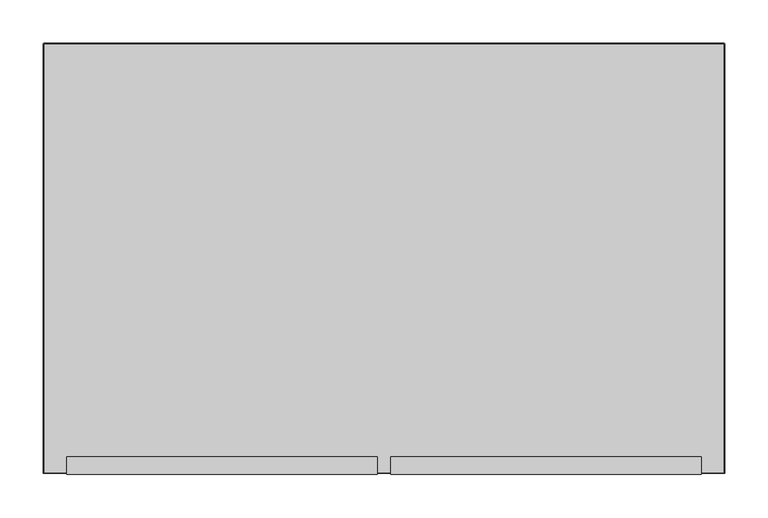
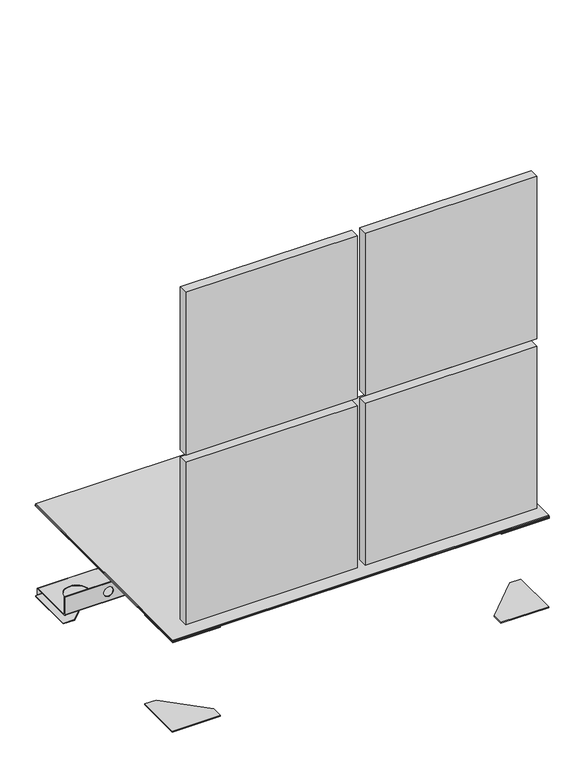
"""IFC4 building model written with IfcOpenShell, lengths in millimetres: proxy geometry."""

from ifc_helpers import new_model, si_unit, point, frame, frame_2d, origin, place, context, project, spatial, polyline, circle_curve, trimmed, segment, composite_curve, outline, extrude, source, transform, mapped, element, save
from ifc_brep_helpers import plane_surface, cylinder_surface, revolved_surface, advanced_brep


def parking_fafb48c0(model_context):
    return source(origin(), model_context, "Body", "SolidModel", [
        advanced_brep(
        [(391.4161053, 243.0, 30.5), (391.4161053, 147.0, 30.5), (391.4161053, 146.0, 31.5), (391.4161053, 146.0, 70.5), (391.4161053, 145.0, 70.5), (391.4161053, 145.0, 31.5), (391.4161053, 147.0, 29.5), (391.4161053, 243.0, 29.5), (391.4161053, 244.0, 28.5), (391.4161053, 244.0, 15.5), (391.4161053, 245.0, 15.5), (391.4161053, 245.0, 28.5), (-391.5838947, 243.0, 30.5), (-391.5838947, 245.0, 28.5), (-391.5838947, 245.0, 15.5), (-391.5838947, 244.0, 15.5), (-391.5838947, 244.0, 28.5), (-391.5838947, 243.0, 29.5), (-391.5838947, 147.0, 29.5), (-391.5838947, 145.0, 31.5), (-391.5838947, 145.0, 70.5), (-391.5838947, 146.0, 70.5), (-391.5838947, 146.0, 31.5), (-391.5838947, 147.0, 30.5), (-312.5648328, 194.9581686, 30.5), (-362.5648328, 194.9581686, 30.5), (312.5648328, 194.9581686, 30.5), (362.5648328, 194.9581686, 30.5), (-10.0, 146.0, 50.5), (10.0, 146.0, 50.5), (-310.0, 146.0, 50.5), (-290.0, 146.0, 50.5), (310.0, 146.0, 50.5), (290.0, 146.0, 50.5), (10.0, 145.0, 50.5), (-10.0, 145.0, 50.5), (-290.0, 145.0, 50.5), (-310.0, 145.0, 50.5), (290.0, 145.0, 50.5), (310.0, 145.0, 50.5), (-362.5648328, 194.9581686, 29.5), (-312.5648328, 194.9581686, 29.5), (362.5648328, 194.9581686, 29.5), (312.5648328, 194.9581686, 29.5)],
        [
            (0, 1),
            (1, 2, circle_curve(frame((391.4161053, 147.0, 31.5), z_axis=(-1.0, 0.0, 0.0), x_axis=(0.0, -1.0, 0.0)), 1.0)),
            (2, 3),
            (3, 4),
            (4, 5),
            (5, 6, circle_curve(frame((391.4161053, 147.0, 31.5), z_axis=(1.0, 0.0, 0.0), x_axis=(0.0, -1.0, 0.0)), 2.0)),
            (6, 7),
            (7, 8, circle_curve(frame((391.4161053, 243.0, 28.5), z_axis=(-1.0, 0.0, 0.0), x_axis=(0.0, -1.0, 0.0)), 1.0)),
            (8, 9),
            (9, 10),
            (10, 11),
            (11, 0, circle_curve(frame((391.4161053, 243.0, 28.5), z_axis=(1.0, 0.0, 0.0), x_axis=(0.0, -1.0, 0.0)), 2.0)),
            (12, 13, circle_curve(frame((-391.5838947, 243.0, 28.5), z_axis=(-1.0, 0.0, 0.0), x_axis=(0.0, -1.0, 0.0)), 2.0)),
            (13, 14),
            (14, 15),
            (15, 16),
            (16, 17, circle_curve(frame((-391.5838947, 243.0, 28.5), z_axis=(1.0, 0.0, 0.0), x_axis=(0.0, -1.0, 0.0)), 1.0)),
            (17, 18),
            (18, 19, circle_curve(frame((-391.5838947, 147.0, 31.5), z_axis=(-1.0, 0.0, 0.0), x_axis=(0.0, -1.0, 0.0)), 2.0)),
            (19, 20),
            (20, 21),
            (21, 22),
            (22, 23, circle_curve(frame((-391.5838947, 147.0, 31.5), z_axis=(1.0, 0.0, 0.0), x_axis=(0.0, -1.0, 0.0)), 1.0)),
            (23, 12),
            (0, 12),
            (23, 1),
            (24, 25, circle_curve(frame((-337.5648328, 194.9581686, 30.5), z_axis=(0.0, 0.0, -1.0), x_axis=(1.0, 0.0, 0.0)), 25.0)),
            (25, 24, circle_curve(frame((-337.5648328, 194.9581686, 30.5), z_axis=(0.0, 0.0, -1.0), x_axis=(1.0, 0.0, 0.0)), 25.0)),
            (26, 27, circle_curve(frame((337.5648328, 194.9581686, 30.5), z_axis=(0.0, 0.0, -1.0), x_axis=(-1.0, 0.0, 0.0)), 25.0)),
            (27, 26, circle_curve(frame((337.5648328, 194.9581686, 30.5), z_axis=(0.0, 0.0, -1.0), x_axis=(-1.0, 0.0, 0.0)), 25.0)),
            (22, 2),
            (21, 3),
            (28, 29, circle_curve(frame((0.0, 146.0, 50.5), z_axis=(0.0, -1.0, 0.0), x_axis=(1.0, 0.0, 0.0)), 10.0)),
            (29, 28, circle_curve(frame((0.0, 146.0, 50.5), z_axis=(0.0, -1.0, 0.0), x_axis=(1.0, 0.0, 0.0)), 10.0)),
            (30, 31, circle_curve(frame((-300.0, 146.0, 50.5), z_axis=(0.0, -1.0, 0.0), x_axis=(1.0, 0.0, 0.0)), 10.0)),
            (31, 30, circle_curve(frame((-300.0, 146.0, 50.5), z_axis=(0.0, -1.0, 0.0), x_axis=(1.0, 0.0, 0.0)), 10.0)),
            (32, 33, circle_curve(frame((300.0, 146.0, 50.5), z_axis=(0.0, -1.0, 0.0), x_axis=(-1.0, 0.0, 0.0)), 10.0)),
            (33, 32, circle_curve(frame((300.0, 146.0, 50.5), z_axis=(0.0, -1.0, 0.0), x_axis=(-1.0, 0.0, 0.0)), 10.0)),
            (20, 4),
            (19, 5),
            (34, 35, circle_curve(frame((0.0, 145.0, 50.5), z_axis=(0.0, 1.0, 0.0), x_axis=(1.0, 0.0, 0.0)), 10.0)),
            (35, 34, circle_curve(frame((0.0, 145.0, 50.5), z_axis=(0.0, 1.0, 0.0), x_axis=(1.0, 0.0, 0.0)), 10.0)),
            (36, 37, circle_curve(frame((-300.0, 145.0, 50.5), z_axis=(0.0, 1.0, 0.0), x_axis=(1.0, 0.0, 0.0)), 10.0)),
            (37, 36, circle_curve(frame((-300.0, 145.0, 50.5), z_axis=(0.0, 1.0, 0.0), x_axis=(1.0, 0.0, 0.0)), 10.0)),
            (38, 39, circle_curve(frame((300.0, 145.0, 50.5), z_axis=(0.0, 1.0, 0.0), x_axis=(-1.0, 0.0, 0.0)), 10.0)),
            (39, 38, circle_curve(frame((300.0, 145.0, 50.5), z_axis=(0.0, 1.0, 0.0), x_axis=(-1.0, 0.0, 0.0)), 10.0)),
            (18, 6),
            (17, 7),
            (40, 41, circle_curve(frame((-337.5648328, 194.9581686, 29.5), z_axis=(0.0, 0.0, 1.0), x_axis=(1.0, 0.0, 0.0)), 25.0)),
            (41, 40, circle_curve(frame((-337.5648328, 194.9581686, 29.5), z_axis=(0.0, 0.0, 1.0), x_axis=(1.0, 0.0, 0.0)), 25.0)),
            (42, 43, circle_curve(frame((337.5648328, 194.9581686, 29.5), z_axis=(0.0, 0.0, 1.0), x_axis=(-1.0, 0.0, 0.0)), 25.0)),
            (43, 42, circle_curve(frame((337.5648328, 194.9581686, 29.5), z_axis=(0.0, 0.0, 1.0), x_axis=(-1.0, 0.0, 0.0)), 25.0)),
            (16, 8),
            (15, 9),
            (14, 10),
            (13, 11),
            (28, 35),
            (34, 29),
            (30, 37),
            (36, 31),
            (32, 39),
            (38, 33),
            (40, 25),
            (24, 41),
            (42, 27),
            (26, 43),
        ],
        [
            plane_surface(frame((391.4161053, 147.0, 30.5), z_axis=(1.0, 0.0, 0.0), x_axis=(0.0, -1.0, 0.0))),
            plane_surface(frame((-391.5838947, 147.0, 30.5), z_axis=(-1.0, 0.0, 0.0), x_axis=(0.0, 1.0, 0.0))),
            plane_surface(frame((391.4161053, 243.0, 30.5), z_axis=(0.0, 0.0, 1.0), x_axis=(-1.0, 0.0, 0.0))),
            revolved_surface(polyline([(-391.5838947, 146.0, 31.5), (391.4161053, 146.0, 31.5)]), (-391.5838947, 147.0, 31.5), (-1.0, 0.0, 0.0)),
            plane_surface(frame((391.4161053, 146.0, 31.5), z_axis=(0.0, 1.0, 0.0), x_axis=(-1.0, 0.0, 0.0))),
            plane_surface(frame((391.4161053, 146.0, 70.5), z_axis=(0.0, 0.0, 1.0), x_axis=(-1.0, 0.0, 0.0))),
            plane_surface(frame((391.4161053, 145.0, 70.5), z_axis=(0.0, -1.0, 0.0), x_axis=(-1.0, 0.0, 0.0))),
            cylinder_surface(frame((-391.5838947, 147.0, 31.5), z_axis=(1.0, 0.0, 0.0), x_axis=(0.0, -1.0, 0.0)), 2.0),
            plane_surface(frame((391.4161053, 147.0, 29.5), z_axis=(0.0, 0.0, -1.0), x_axis=(-1.0, 0.0, 0.0))),
            revolved_surface(polyline([(-391.5838947, 242.0, 28.5), (391.4161053, 242.0, 28.5)]), (-391.5838947, 243.0, 28.5), (-1.0, 0.0, 0.0)),
            plane_surface(frame((391.4161053, 244.0, 28.5), z_axis=(0.0, -1.0, 0.0), x_axis=(-1.0, 0.0, 0.0))),
            plane_surface(frame((391.4161053, 244.0, 15.5), z_axis=(0.0, 0.0, -1.0), x_axis=(-1.0, 0.0, 0.0))),
            plane_surface(frame((391.4161053, 245.0, 15.5), z_axis=(0.0, 1.0, 0.0), x_axis=(-1.0, 0.0, 0.0))),
            cylinder_surface(frame((-391.5838947, 243.0, 28.5), z_axis=(1.0, 0.0, 0.0), x_axis=(0.0, -1.0, 0.0)), 2.0),
            revolved_surface(polyline([(10.0, 145.0, 50.5), (10.0, 146.0, 50.5)]), (0.0, 164.0282625, 50.5), (0.0, -1.0, 0.0)),
            revolved_surface(polyline([(-290.0, 145.0, 50.5), (-290.0, 146.0, 50.5)]), (-300.0, 0.0, 50.5), (0.0, -1.0, 0.0)),
            revolved_surface(polyline([(290.0, 145.0, 50.5), (290.0, 146.0, 50.5)]), (300.0, 0.0, 50.5), (0.0, -1.0, 0.0)),
            revolved_surface(polyline([(-312.5648328, 194.9581686, 30.5), (-312.5648328, 194.9581686, 29.5)]), (-337.5648328, 194.9581686, 14.5), (0.0, 0.0, 1.0)),
            revolved_surface(polyline([(312.5648328, 194.9581686, 30.5), (312.5648328, 194.9581686, 29.5)]), (337.5648328, 194.9581686, 0.0), (0.0, 0.0, 1.0)),
        ],
        [
            (0, [[1, 2, 3, 4, 5, 6, 7, 8, 9, 10, 11, 12]]),
            (1, [[13, 14, 15, 16, 17, 18, 19, 20, 21, 22, 23, 24]]),
            (2, [[-1, 25, -24, 26], [27, 28], [29, 30]]),
            (3, [[-2, -26, -23, 31]]),
            (4, [[-3, -31, -22, 32], [33, 34], [35, 36], [37, 38]]),
            (5, [[-4, -32, -21, 39]]),
            (6, [[-5, -39, -20, 40], [41, 42], [43, 44], [45, 46]]),
            (7, [[-6, -40, -19, 47]]),
            (8, [[-7, -47, -18, 48], [49, 50], [51, 52]]),
            (9, [[-8, -48, -17, 53]]),
            (10, [[-9, -53, -16, 54]]),
            (11, [[-10, -54, -15, 55]]),
            (12, [[-11, -55, -14, 56]]),
            (13, [[-12, -56, -13, -25]]),
            (14, [[57, -41, 58, -33]]),
            (14, [[-57, -34, -58, -42]]),
            (15, [[59, -43, 60, -35]]),
            (15, [[-59, -36, -60, -44]]),
            (16, [[61, -45, 62, -37]]),
            (16, [[-61, -38, -62, -46]]),
            (17, [[63, -27, 64, -49]]),
            (17, [[-63, -50, -64, -28]]),
            (18, [[65, -29, 66, -51]]),
            (18, [[-65, -52, -66, -30]]),
        ],
    ),
        extrude(outline(polyline([(-392.0104895, 248.0), (-293.0838947, 248.0), (-293.0838947, 223.2426407), (-369.3265353, 147.0), (-392.0104895, 147.0), (-392.0104895, 248.0)])), frame((0.0, 0.0, 208.0), z_axis=(0.0, 0.0, 1.0), x_axis=(1.0, 0.0, 0.0)), (0.0, 0.0, 1.0), 2.0),
        extrude(outline(polyline([(393.4161053, 248.0), (393.4161053, 147.0), (369.3265353, 147.0), (293.0838947, 223.2426407), (293.0838947, 248.0), (393.4161053, 248.0)])), frame((0.0, 0.0, 208.0), z_axis=(0.0, 0.0, 1.0), x_axis=(1.0, 0.0, 0.0)), (0.0, 0.0, 1.0), 2.0),
        extrude(outline(polyline([(-393.0838947, -248.0), (-393.0838947, -147.0), (-369.3265353, -147.0), (-293.0838947, -223.2426407), (-293.0838947, -248.0), (-393.0838947, -248.0)])), frame((0.0, 0.0, 208.0), z_axis=(0.0, 0.0, 1.0), x_axis=(1.0, 0.0, 0.0)), (0.0, 0.0, 1.0), 2.0),
        extrude(outline(polyline([(393.9161053, -248.0), (293.0838947, -248.0), (293.0838947, -223.2426407), (369.3265353, -147.0), (393.9161053, -147.0), (393.9161053, -248.0)])), frame((0.0, 0.0, 208.0), z_axis=(0.0, 0.0, 1.0), x_axis=(1.0, 0.0, 0.0)), (0.0, 0.0, 1.0), 2.0),
        extrude(outline(polyline([(-393.0838947, 247.0), (-293.0838947, 247.0), (-293.0838947, 223.2426407), (-369.3265353, 147.0), (-393.0838947, 147.0), (-393.0838947, 247.0)])), frame((0.0, 0.0, 10.5), z_axis=(0.0, 0.0, 1.0), x_axis=(1.0, 0.0, 0.0)), (0.0, 0.0, 1.0), 2.0),
        extrude(outline(polyline([(393.0838947, 247.0), (393.0838947, 147.0), (369.3265353, 147.0), (293.0838947, 223.2426407), (293.0838947, 247.0), (393.0838947, 247.0)])), frame((0.0, 0.0, 10.5), z_axis=(0.0, 0.0, 1.0), x_axis=(1.0, 0.0, 0.0)), (0.0, 0.0, 1.0), 2.0),
        extrude(outline(polyline([(-393.0838947, -247.0), (-393.0838947, -147.0), (-369.3265353, -147.0), (-293.0838947, -223.2426407), (-293.0838947, -247.0), (-393.0838947, -247.0)])), frame((0.0, 0.0, 10.5), z_axis=(0.0, 0.0, 1.0), x_axis=(1.0, 0.0, 0.0)), (0.0, 0.0, 1.0), 2.0),
        extrude(outline(polyline([(393.0838947, -247.0), (293.0838947, -247.0), (293.0838947, -223.2426407), (369.3265353, -147.0), (393.0838947, -147.0), (393.0838947, -247.0)])), frame((0.0, 0.0, 10.5), z_axis=(0.0, 0.0, 1.0), x_axis=(1.0, 0.0, 0.0)), (0.0, 0.0, 1.0), 2.0),
        extrude(outline(polyline([(-393.0838947, -248.0), (-393.0838947, 248.0), (392.9161053, 248.0), (392.9161053, -248.0), (-393.0838947, -248.0)])), frame((0.0, 0.0, 212.5), z_axis=(0.0, 0.0, 1.0), x_axis=(1.0, 0.0, 0.0)), (0.0, 0.0, 1.0), 2.0),
        extrude(outline(composite_curve([segment(polyline([(-393.9692246, -248.0), (-393.9692246, 248.0)]), True, "CONTINUOUS"), segment(trimmed(circle_curve(frame_2d((-393.0838947, 248.0)), 0.8853299), [point((-393.9692246, 248.0))], [point((-393.0838947, 248.8853299))], False, "CARTESIAN"), True, "CONTINUOUS"), segment(polyline([(-393.0838947, 248.8853299), (392.9161053, 248.8853299)]), True, "CONTINUOUS"), segment(trimmed(circle_curve(frame_2d((392.9161053, 248.0)), 0.8853299), [point((392.9161053, 248.8853299))], [point((393.8014353, 248.0))], False, "CARTESIAN"), True, "CONTINUOUS"), segment(polyline([(393.8014353, 248.0), (393.8014353, -248.0)]), True, "CONTINUOUS"), segment(trimmed(circle_curve(frame_2d((392.9161053, -248.0)), 0.8853299), [point((393.8014353, -248.0))], [point((392.9161053, -248.8853299))], False, "CARTESIAN"), True, "CONTINUOUS"), segment(polyline([(392.9161053, -248.8853299), (-393.0838947, -248.8853299)]), True, "CONTINUOUS"), segment(trimmed(circle_curve(frame_2d((-393.0838947, -248.0)), 0.8853299), [point((-393.0838947, -248.8853299))], [point((-393.9692246, -248.0))], False, "CARTESIAN"), True, "CONTINUOUS")], self_intersect=False), holes=[polyline([(-370.0838947, -225.0), (369.9161053, -225.0), (369.9161053, 218.0), (-370.0838947, 218.0), (-370.0838947, -225.0)])]), frame((0.0, 0.0, 211.0), z_axis=(0.0, 0.0, 1.0), x_axis=(1.0, 0.0, 0.0)), (0.0, 0.0, 1.0), 1.5),
        extrude(outline(polyline([(-8.0838947, -250.0), (-367.0838947, -250.0), (-367.0838947, -230.0), (-8.0838947, -230.0), (-8.0838947, -250.0)])), frame((0.0, 0.0, 615.0), z_axis=(0.0, 0.0, 1.0), x_axis=(1.0, 0.0, 0.0)), (0.0, 0.0, 1.0), 359.5),
        extrude(outline(polyline([(-8.0838947, -250.0), (-367.0838947, -250.0), (-367.0838947, -230.0), (-8.0838947, -230.0), (-8.0838947, -250.0)])), frame((0.0, 0.0, 240.5), z_axis=(0.0, 0.0, 1.0), x_axis=(1.0, 0.0, 0.0)), (0.0, 0.0, 1.0), 358.5),
        extrude(outline(polyline([(366.9161053, -250.0), (7.9161053, -250.0), (7.9161053, -230.0), (366.9161053, -230.0), (366.9161053, -250.0)])), frame((0.0, 0.0, 240.5), z_axis=(0.0, 0.0, 1.0), x_axis=(1.0, 0.0, 0.0)), (0.0, 0.0, 1.0), 358.5),
        extrude(outline(polyline([(366.9161053, -250.0), (7.9161053, -250.0), (7.9161053, -230.0), (366.9161053, -230.0), (366.9161053, -250.0)])), frame((0.0, 0.0, 615.0), z_axis=(0.0, 0.0, 1.0), x_axis=(1.0, 0.0, 0.0)), (0.0, 0.0, 1.0), 359.5),
    ])


if __name__ == "__main__":
    model = new_model("IFC4")
    model_context = context("Model", 3, world=origin())
    ifc_project = project(units=[si_unit("LENGTHUNIT", "METRE", prefix="MILLI")], contexts=[model_context])
    site = spatial("IfcSite", under=ifc_project)
    building = spatial("IfcBuilding", under=site)
    placement = place(None, origin())
    parking_shape = parking_fafb48c0(model_context)
    element("IfcBuildingElementProxy", 1, Name="Parking", at=placement, inside=building, context=model_context, shape_type="MappedRepresentation", body=[
        mapped(parking_shape, transform((0.0, 0.0, 0.0), x_axis=(1.0, 0.0, 0.0), y_axis=(0.0, 1.0, 0.0), z_axis=(0.0, 0.0, 1.0))),
    ])
    save(model, "model.ifc")
